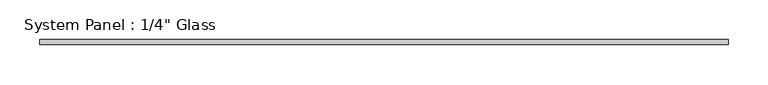
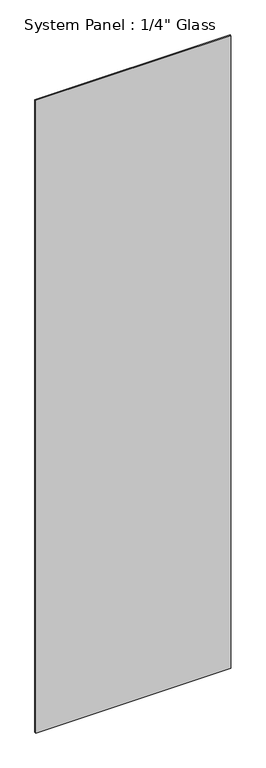
"""IFC4 building model written with IfcOpenShell, lengths in millimetres: plate geometry."""

from ifc_helpers import new_model, si_unit, origin, origin_with_axes, place, context, project, spatial, polyline, outline, extrude, source, transform, mapped, element, save


def plate_27e818c3(model_context):
    return source(origin(), model_context, "Body", "SweptSolid", [
        extrude(outline(polyline([(431.8, -3.175), (-431.8, -3.175), (-431.8, 3.175), (431.8, 3.175), (431.8, -3.175)])), origin_with_axes(), (0.0, 0.0, 1.0), 2959.1),
    ])


if __name__ == "__main__":
    model = new_model("IFC4")
    model_context = context("Model", 3, world=origin())
    ifc_project = project(units=[si_unit("LENGTHUNIT", "METRE", prefix="MILLI")], contexts=[model_context])
    site = spatial("IfcSite", under=ifc_project)
    building = spatial("IfcBuilding", under=site)
    placement = place(None, origin())
    plate_shape = plate_27e818c3(model_context)
    element("IfcPlate", 1, ObjectType="System Panel : 1/4\" Glass", at=placement, inside=building, context=model_context, shape_type="MappedRepresentation", body=[
        mapped(plate_shape, transform((0.0, 0.0, 0.0), x_axis=(1.0, 0.0, 0.0), y_axis=(0.0, 1.0, 0.0), z_axis=(0.0, 0.0, 1.0))),
    ])
    save(model, "model.ifc")
